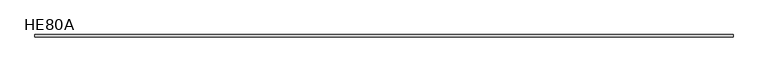
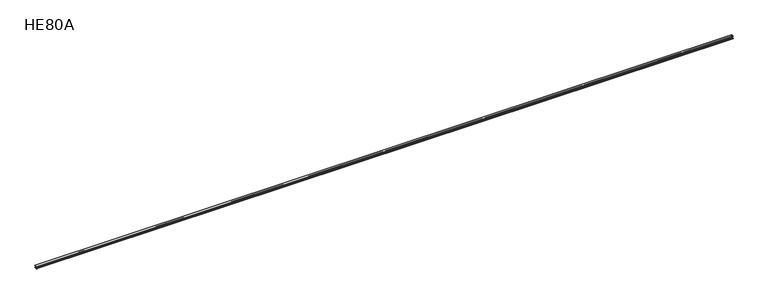
"""IFC4 building model written with IfcOpenShell, lengths in millimetres: beam geometry, HE80A."""

from ifc_helpers import new_model, si_unit, point, frame, frame_2d, origin, place, context, project, spatial, polyline, circle_curve, trimmed, segment, composite_curve, outline, extrude, source, transform, mapped, element, save


def he80a_03ae46d0(model_context):
    return source(origin(), model_context, "Body", "SweptSolid", [
        extrude(outline(composite_curve([segment(polyline([(50.0, -43.0), (50.0, -50.0), (-50.0, -50.0), (-50.0, -43.0), (-15.0, -43.0)]), True, "CONTINUOUS"), segment(trimmed(circle_curve(frame_2d((-15.0, -30.0)), 13.0), [point((-15.0, -43.0))], [point((-2.0, -30.0))], True, "CARTESIAN"), True, "CONTINUOUS"), segment(polyline([(-2.0, -30.0), (-2.0, 30.0)]), True, "CONTINUOUS"), segment(trimmed(circle_curve(frame_2d((-15.0, 30.0)), 13.0), [point((-2.0, 30.0))], [point((-15.0, 43.0))], True, "CARTESIAN"), True, "CONTINUOUS"), segment(polyline([(-15.0, 43.0), (-50.0, 43.0), (-50.0, 50.0), (50.0, 50.0), (50.0, 43.0), (15.0, 43.0)]), True, "CONTINUOUS"), segment(trimmed(circle_curve(frame_2d((15.0, 30.0)), 13.0), [point((15.0, 43.0))], [point((2.0, 30.0))], True, "CARTESIAN"), True, "CONTINUOUS"), segment(polyline([(2.0, 30.0), (2.0, -30.0)]), True, "CONTINUOUS"), segment(trimmed(circle_curve(frame_2d((15.0, -30.0)), 13.0), [point((2.0, -30.0))], [point((15.0, -43.0))], True, "CARTESIAN"), True, "CONTINUOUS"), segment(polyline([(15.0, -43.0), (50.0, -43.0)]), True, "CONTINUOUS")], self_intersect=False)), frame((-14283.5, 0.0, 0.0), z_axis=(1.0, 0.0, 0.0), x_axis=(0.0, 1.0, 0.0)), (0.0, 0.0, 1.0), 28567.0),
    ])


if __name__ == "__main__":
    model = new_model("IFC4")
    model_context = context("Model", 3, world=origin())
    ifc_project = project(units=[si_unit("LENGTHUNIT", "METRE", prefix="MILLI")], contexts=[model_context])
    site = spatial("IfcSite", under=ifc_project)
    building = spatial("IfcBuilding", under=site)
    placement = place(None, origin())
    he80a_shape = he80a_03ae46d0(model_context)
    element("IfcBeam", 1, ObjectType="HE80A", at=placement, inside=building, context=model_context, shape_type="MappedRepresentation", body=[
        mapped(he80a_shape, transform((0.0, 0.0, 0.0), x_axis=(1.0, 0.0, 0.0), y_axis=(0.0, 1.0, 0.0), z_axis=(0.0, 0.0, 1.0))),
    ])
    save(model, "model.ifc")
